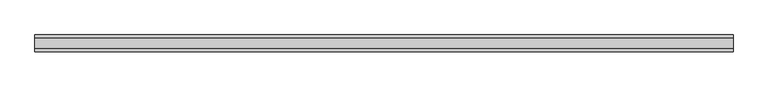
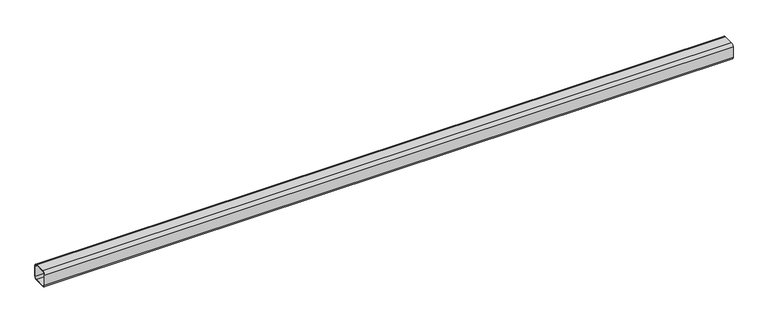
"""IFC4 building model written with IfcOpenShell, lengths in millimetres: beam geometry."""

from ifc_helpers import new_model, si_unit, point, frame, frame_2d, origin, place, context, project, spatial, polyline, circle_curve, trimmed, segment, composite_curve, outline, extrude, source, transform, mapped, element, save


def beam_d79d36f8(model_context):
    return source(origin(), model_context, "Body", "SweptSolid", [
        extrude(outline(composite_curve([segment(polyline([(-33.0, 50.0), (33.0, 50.0)]), True, "CONTINUOUS"), segment(trimmed(circle_curve(frame_2d((33.0, 33.0)), 17.0), [point((33.0, 50.0))], [point((50.0, 33.0))], False, "CARTESIAN"), True, "CONTINUOUS"), segment(polyline([(50.0, 33.0), (50.0, -33.0)]), True, "CONTINUOUS"), segment(trimmed(circle_curve(frame_2d((33.0, -33.0)), 17.0), [point((50.0, -33.0))], [point((33.0, -50.0))], False, "CARTESIAN"), True, "CONTINUOUS"), segment(polyline([(33.0, -50.0), (-33.0, -50.0)]), True, "CONTINUOUS"), segment(trimmed(circle_curve(frame_2d((-33.0, -33.0)), 17.0), [point((-33.0, -50.0))], [point((-50.0, -33.0))], False, "CARTESIAN"), True, "CONTINUOUS"), segment(polyline([(-50.0, -33.0), (-50.0, 33.0)]), True, "CONTINUOUS"), segment(trimmed(circle_curve(frame_2d((-33.0, 33.0)), 17.0), [point((-50.0, 33.0))], [point((-33.0, 50.0))], False, "CARTESIAN"), True, "CONTINUOUS")], self_intersect=False), holes=[composite_curve([segment(trimmed(circle_curve(frame_2d((-33.0, 33.0)), 12.0), [point((-33.0, 45.0))], [point((-45.0, 33.0))], True, "CARTESIAN"), True, "CONTINUOUS"), segment(polyline([(-45.0, 33.0), (-45.0, -33.0)]), True, "CONTINUOUS"), segment(trimmed(circle_curve(frame_2d((-33.0, -33.0)), 12.0), [point((-45.0, -33.0))], [point((-33.0, -45.0))], True, "CARTESIAN"), True, "CONTINUOUS"), segment(polyline([(-33.0, -45.0), (33.0, -45.0)]), True, "CONTINUOUS"), segment(trimmed(circle_curve(frame_2d((33.0, -33.0)), 12.0), [point((33.0, -45.0))], [point((45.0, -33.0))], True, "CARTESIAN"), True, "CONTINUOUS"), segment(polyline([(45.0, -33.0), (45.0, 33.0)]), True, "CONTINUOUS"), segment(trimmed(circle_curve(frame_2d((33.0, 33.0)), 12.0), [point((45.0, 33.0))], [point((33.0, 45.0))], True, "CARTESIAN"), True, "CONTINUOUS"), segment(polyline([(33.0, 45.0), (-33.0, 45.0)]), True, "CONTINUOUS")], self_intersect=False)]), frame((-2123.5, 0.0, 0.0), z_axis=(1.0, 0.0, 0.0), x_axis=(0.0, 1.0, 0.0)), (0.0, 0.0, 1.0), 4184.0),
    ])


if __name__ == "__main__":
    model = new_model("IFC4")
    model_context = context("Model", 3, world=origin())
    ifc_project = project(units=[si_unit("LENGTHUNIT", "METRE", prefix="MILLI")], contexts=[model_context])
    site = spatial("IfcSite", under=ifc_project)
    building = spatial("IfcBuilding", under=site)
    placement = place(None, origin())
    beam_shape = beam_d79d36f8(model_context)
    element("IfcBeam", 1, at=placement, inside=building, context=model_context, shape_type="MappedRepresentation", body=[
        mapped(beam_shape, transform((0.0, 0.0, 0.0), x_axis=(1.0, 0.0, 0.0), y_axis=(0.0, 1.0, 0.0), z_axis=(0.0, 0.0, 1.0))),
    ])
    save(model, "model.ifc")
